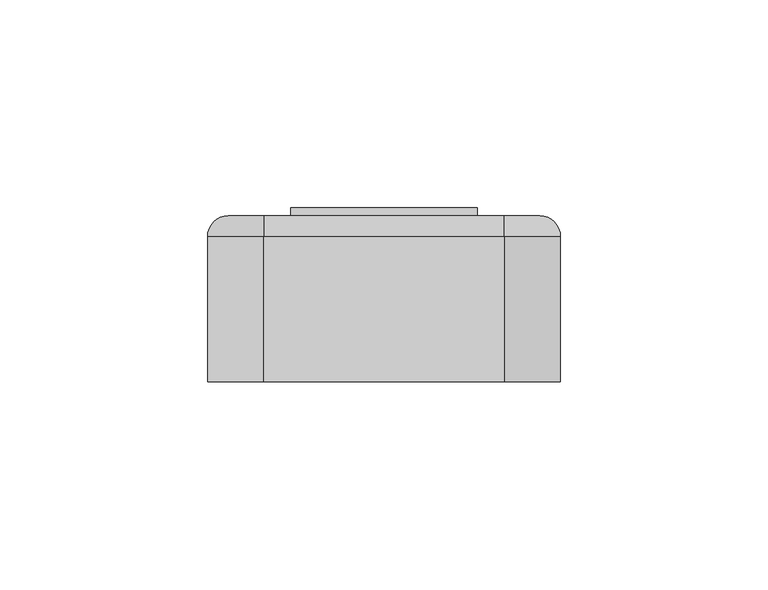
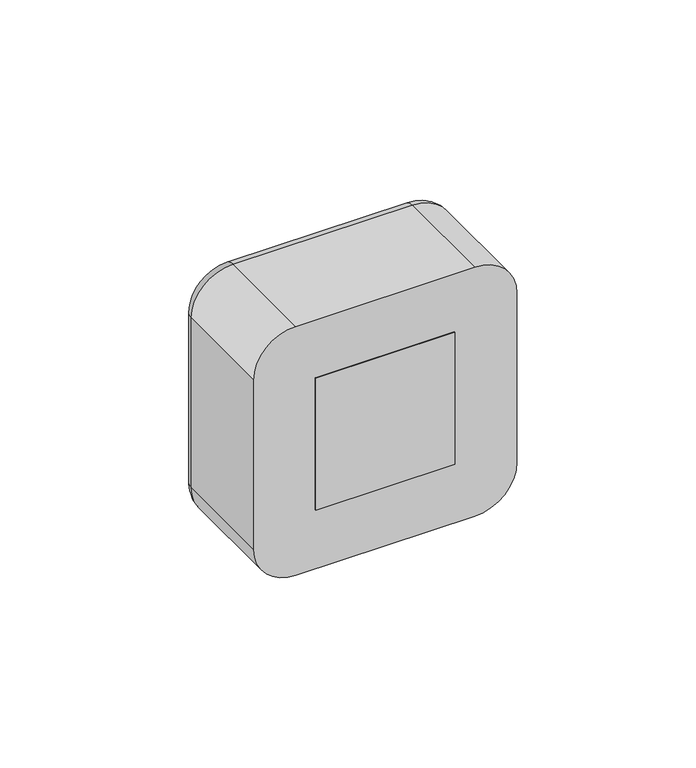
"""IFC4 building model written with IfcOpenShell, lengths in millimetres: proxy geometry."""

from ifc_helpers import new_model, si_unit, point, frame, origin, origin_2d, place, context, project, spatial, polyline, circle_curve, ellipse_curve, trimmed, segment, composite_curve, outline, extrude, source, transform, mapped, element, save
from ifc_brep_helpers import plane_surface, cylinder_surface, revolved_surface, advanced_brep


def electrical_fixtures_850713ec(model_context):
    return source(origin(), model_context, "Body", "SolidModel", [
        extrude(outline(polyline([(22.5, 40.0), (-22.5, 40.0), (-22.5, 42.0), (22.5, 42.0), (22.5, 40.0)])), frame((0.0, 0.0, -22.5), z_axis=(0.0, 0.0, 1.0), x_axis=(1.0, 0.0, 0.0)), (0.0, 0.0, 1.0), 45.0),
        advanced_brep(
        [(22.5, 40.0, 22.5), (22.5, 40.0, -22.5), (-22.5, 40.0, -22.5), (-22.5, 40.0, 22.5), (-18.0, 40.0, 0.0), (18.0, 40.0, 0.0), (22.5, 32.0, 22.5), (-22.5, 32.0, 22.5), (-22.5, 32.0, -22.5), (22.5, 32.0, -22.5), (-7.0, 32.0, 0.0), (-12.0, 32.0, 0.0), (12.0, 32.0, 0.0), (7.0, 32.0, 0.0), (8.9731851, 32.0, 17.8120198), (12.5935718, 32.0, 21.4324065), (21.4324065, 32.0, 12.5935718), (17.8120198, 32.0, 8.9731851), (-17.8120198, 32.0, 8.9731851), (-21.4324065, 32.0, 12.5935718), (-12.5935718, 32.0, 21.4324065), (-8.9731851, 32.0, 17.8120198), (11.5329116, 32.0, 18.9575328), (18.9575328, 32.0, 11.5329116), (20.018193, 32.0, 12.5935718), (12.5935718, 32.0, 20.018193), (-18.9575328, 32.0, 11.5329116), (-11.5329116, 32.0, 18.9575328), (-12.5935718, 32.0, 20.018193), (-20.018193, 32.0, 12.5935718), (-18.0, 33.0, 0.0), (18.0, 33.0, 0.0), (-12.0, 33.0, 0.0), (-7.0, 33.0, 0.0), (7.0, 33.0, 0.0), (12.0, 33.0, 0.0), (12.5935718, 33.0, 21.4324065), (8.9731851, 33.0, 17.8120198), (17.8120198, 33.0, 8.9731851), (21.4324065, 33.0, 12.5935718), (18.9575328, 33.0, 11.5329116), (11.5329116, 33.0, 18.9575328), (12.5935718, 33.0, 20.018193), (20.018193, 33.0, 12.5935718), (-21.4324065, 33.0, 12.5935718), (-17.8120198, 33.0, 8.9731851), (-8.9731851, 33.0, 17.8120198), (-12.5935718, 33.0, 21.4324065), (-11.5329116, 33.0, 18.9575328), (-18.9575328, 33.0, 11.5329116), (-20.018193, 33.0, 12.5935718), (-12.5935718, 33.0, 20.018193)],
        [
            (0, 1),
            (1, 2),
            (2, 3),
            (3, 0),
            (4, 5, circle_curve(frame((0.0, 40.0, 0.0), z_axis=(0.0, -1.0, 0.0), x_axis=(1.0, 0.0, 0.0)), 18.0)),
            (5, 4, circle_curve(frame((0.0, 40.0, 0.0), z_axis=(0.0, -1.0, 0.0), x_axis=(1.0, 0.0, 0.0)), 18.0)),
            (6, 7),
            (7, 8),
            (8, 9),
            (9, 6),
            (10, 11, circle_curve(frame((-9.5, 32.0, 0.0), z_axis=(0.0, 1.0, 0.0), x_axis=(1.0, 0.0, 0.0)), 2.5)),
            (11, 10, circle_curve(frame((-9.5, 32.0, 0.0), z_axis=(0.0, 1.0, 0.0), x_axis=(1.0, 0.0, 0.0)), 2.5)),
            (12, 13, circle_curve(frame((9.5, 32.0, 0.0), z_axis=(0.0, 1.0, 0.0), x_axis=(1.0, 0.0, 0.0)), 2.5)),
            (13, 12, circle_curve(frame((9.5, 32.0, 0.0), z_axis=(0.0, 1.0, 0.0), x_axis=(1.0, 0.0, 0.0)), 2.5)),
            (14, 15),
            (15, 16),
            (16, 17),
            (17, 14),
            (18, 19),
            (19, 20),
            (20, 21),
            (21, 18),
            (22, 23),
            (23, 24),
            (24, 25),
            (25, 22),
            (26, 27),
            (27, 28),
            (28, 29),
            (29, 26),
            (3, 7),
            (6, 0),
            (2, 8),
            (1, 9),
            (30, 31, circle_curve(frame((0.0, 33.0, 0.0), z_axis=(0.0, 1.0, 0.0), x_axis=(1.0, 0.0, 0.0)), 18.0)),
            (31, 30, circle_curve(frame((0.0, 33.0, 0.0), z_axis=(0.0, 1.0, 0.0), x_axis=(1.0, 0.0, 0.0)), 18.0)),
            (32, 33, circle_curve(frame((-9.5, 33.0, 0.0), z_axis=(0.0, -1.0, 0.0), x_axis=(1.0, 0.0, 0.0)), 2.5)),
            (33, 32, circle_curve(frame((-9.5, 33.0, 0.0), z_axis=(0.0, -1.0, 0.0), x_axis=(1.0, 0.0, 0.0)), 2.5)),
            (34, 35, circle_curve(frame((9.5, 33.0, 0.0), z_axis=(0.0, -1.0, 0.0), x_axis=(1.0, 0.0, 0.0)), 2.5)),
            (35, 34, circle_curve(frame((9.5, 33.0, 0.0), z_axis=(0.0, -1.0, 0.0), x_axis=(1.0, 0.0, 0.0)), 2.5)),
            (31, 5),
            (4, 30),
            (10, 33),
            (32, 11),
            (12, 35),
            (34, 13),
            (36, 37),
            (37, 38),
            (38, 39),
            (39, 36),
            (40, 41),
            (41, 42),
            (42, 43),
            (43, 40),
            (36, 15),
            (14, 37),
            (17, 38),
            (16, 39),
            (40, 23),
            (22, 41),
            (25, 42),
            (24, 43),
            (44, 45),
            (45, 46),
            (46, 47),
            (47, 44),
            (48, 49),
            (49, 50),
            (50, 51),
            (51, 48),
            (44, 19),
            (18, 45),
            (21, 46),
            (20, 47),
            (48, 27),
            (26, 49),
            (29, 50),
            (28, 51),
        ],
        [
            plane_surface(frame((-39.0, 40.0, 22.5), z_axis=(0.0, 1.0, 0.0), x_axis=(1.0, 0.0, 0.0))),
            plane_surface(frame((-39.0, 32.0, 22.5), z_axis=(0.0, -1.0, 0.0), x_axis=(-1.0, 0.0, 0.0))),
            plane_surface(frame((22.5, 32.0, 22.5), z_axis=(0.0, 0.0, 1.0), x_axis=(0.0, 1.0, 0.0))),
            plane_surface(frame((-22.5, 32.0, 22.5), z_axis=(-1.0, 0.0, 0.0), x_axis=(0.0, 1.0, 0.0))),
            plane_surface(frame((-22.5, 32.0, -22.5), z_axis=(0.0, 0.0, -1.0), x_axis=(0.0, 1.0, 0.0))),
            plane_surface(frame((22.5, 32.0, -22.5), z_axis=(1.0, 0.0, 0.0), x_axis=(0.0, 1.0, 0.0))),
            plane_surface(frame((18.0, 33.0, 0.0), z_axis=(0.0, 1.0, 0.0), x_axis=(0.0, 0.0, 1.0))),
            revolved_surface(polyline([(18.0, 33.0, 0.0), (18.0, 40.0, 0.0)]), (0.0, 40.0, 0.0), (0.0, -1.0, 0.0)),
            revolved_surface(polyline([(-7.0, 32.0, 0.0), (-7.0, 33.0, 0.0)]), (-9.5, 33.0, 0.0), (0.0, -1.0, 0.0)),
            revolved_surface(polyline([(12.0, 32.0, 0.0), (12.0, 33.0, 0.0)]), (9.5, 32.0, 0.0), (0.0, -1.0, 0.0)),
            plane_surface(frame((12.5935718, 33.0, 21.4324065), z_axis=(0.0, -1.0, 0.0), x_axis=(0.7071067811865469, 0.0, 0.7071067811865481))),
            plane_surface(frame((12.5935718, 32.0, 21.4324065), z_axis=(0.7071067811865481, 0.0, -0.7071067811865469), x_axis=(0.0, 1.0, 0.0))),
            plane_surface(frame((8.9731851, 32.0, 17.8120198), z_axis=(0.707106781186547, 0.0, 0.7071067811865481), x_axis=(0.0, 1.0, 0.0))),
            plane_surface(frame((17.8120198, 32.0, 8.9731851), z_axis=(-0.707106781186549, 0.0, 0.7071067811865461), x_axis=(0.0, 1.0, 0.0))),
            plane_surface(frame((21.4324065, 32.0, 12.5935718), z_axis=(-0.7071067811865469, 0.0, -0.7071067811865482), x_axis=(0.0, 1.0, 0.0))),
            plane_surface(frame((18.9575328, 32.0, 11.5329116), z_axis=(-0.7071067811865468, 0.0, -0.7071067811865482), x_axis=(0.0, 1.0, 0.0))),
            plane_surface(frame((11.5329116, 32.0, 18.9575328), z_axis=(-0.7071067811865503, 0.0, 0.7071067811865447), x_axis=(0.0, 1.0, 0.0))),
            plane_surface(frame((12.5935718, 32.0, 20.018193), z_axis=(0.7071067811865468, 0.0, 0.7071067811865482), x_axis=(0.0, 1.0, 0.0))),
            plane_surface(frame((20.018193, 32.0, 12.5935718), z_axis=(0.7071067811865489, 0.0, -0.7071067811865461), x_axis=(0.0, 1.0, 0.0))),
            plane_surface(frame((-21.4324065, 33.0, 12.5935718), z_axis=(0.0, -1.0, 0.0), x_axis=(-0.7071067811865486, 0.0, 0.7071067811865465))),
            plane_surface(frame((-21.4324065, 32.0, 12.5935718), z_axis=(0.7071067811865465, 0.0, 0.7071067811865486), x_axis=(0.0, 1.0, 0.0))),
            plane_surface(frame((-17.8120198, 32.0, 8.9731851), z_axis=(-0.7071067811865488, 0.0, 0.7071067811865462), x_axis=(0.0, 1.0, 0.0))),
            plane_surface(frame((-8.9731851, 32.0, 17.8120198), z_axis=(-0.7071067811865466, 0.0, -0.7071067811865486), x_axis=(0.0, 1.0, 0.0))),
            plane_surface(frame((-12.5935718, 32.0, 21.4324065), z_axis=(0.707106781186549, 0.0, -0.7071067811865461), x_axis=(0.0, 1.0, 0.0))),
            plane_surface(frame((-11.5329116, 32.0, 18.9575328), z_axis=(0.7071067811865488, 0.0, -0.7071067811865462), x_axis=(0.0, 1.0, 0.0))),
            plane_surface(frame((-18.9575328, 32.0, 11.5329116), z_axis=(-0.7071067811865455, 0.0, -0.7071067811865497), x_axis=(0.0, 1.0, 0.0))),
            plane_surface(frame((-20.018193, 32.0, 12.5935718), z_axis=(-0.7071067811865489, 0.0, 0.7071067811865462), x_axis=(0.0, 1.0, 0.0))),
            plane_surface(frame((-12.5935718, 32.0, 20.018193), z_axis=(0.7071067811865469, 0.0, 0.7071067811865482), x_axis=(0.0, 1.0, 0.0))),
        ],
        [
            (0, [[1, 2, 3, 4], [5, 6]]),
            (1, [[7, 8, 9, 10], [11, 12], [13, 14], [15, 16, 17, 18], [19, 20, 21, 22]]),
            (1, [[23, 24, 25, 26]]),
            (1, [[27, 28, 29, 30]]),
            (2, [[-4, 31, -7, 32]]),
            (3, [[-3, 33, -8, -31]]),
            (4, [[-2, 34, -9, -33]]),
            (5, [[-1, -32, -10, -34]]),
            (6, [[35, 36], [37, 38], [39, 40]]),
            (7, [[-36, 41, -5, 42]]),
            (7, [[-35, -42, -6, -41]]),
            (8, [[43, -37, 44, -11]]),
            (8, [[-43, -12, -44, -38]]),
            (9, [[45, -39, 46, -13]]),
            (9, [[-45, -14, -46, -40]]),
            (10, [[47, 48, 49, 50], [51, 52, 53, 54]]),
            (11, [[-47, 55, -15, 56]]),
            (12, [[-48, -56, -18, 57]]),
            (13, [[-49, -57, -17, 58]]),
            (14, [[-50, -58, -16, -55]]),
            (15, [[-51, 59, -23, 60]]),
            (16, [[-52, -60, -26, 61]]),
            (17, [[-53, -61, -25, 62]]),
            (18, [[-54, -62, -24, -59]]),
            (19, [[63, 64, 65, 66], [67, 68, 69, 70]]),
            (20, [[-63, 71, -19, 72]]),
            (21, [[-64, -72, -22, 73]]),
            (22, [[-65, -73, -21, 74]]),
            (23, [[-66, -74, -20, -71]]),
            (24, [[-67, 75, -27, 76]]),
            (25, [[-68, -76, -30, 77]]),
            (26, [[-69, -77, -29, 78]]),
            (27, [[-70, -78, -28, -75]]),
        ],
    ),
        extrude(outline(polyline([(22.5, 0.0), (-22.5, 0.0), (-22.5, 32.0), (22.5, 32.0), (22.5, 0.0)])), frame((0.0, 0.0, -22.5), z_axis=(0.0, 0.0, 1.0), x_axis=(1.0, 0.0, 0.0)), (0.0, 0.0, 1.0), 45.0),
        extrude(outline(composite_curve([segment(polyline([(-16.0, -1.5), (-17.9373911, -1.5)]), True, "CONTINUOUS"), segment(trimmed(circle_curve(origin_2d(), 18.0), [point((-17.9373911, -1.5))], [point((-17.9373911, 1.5))], False, "CARTESIAN"), True, "CONTINUOUS"), segment(polyline([(-17.9373911, 1.5), (-16.0, 1.5), (-16.0, -1.5)]), True, "CONTINUOUS")], self_intersect=False)), frame((0.0, 33.0, 0.0), z_axis=(0.0, 1.0, 0.0), x_axis=(0.0, 0.0, 1.0)), (0.0, 0.0, 1.0), 6.0),
        extrude(outline(composite_curve([segment(polyline([(16.0, -1.5), (16.0, 1.5), (17.9373911, 1.5)]), True, "CONTINUOUS"), segment(trimmed(circle_curve(origin_2d(), 18.0), [point((17.9373911, 1.5))], [point((17.9373911, -1.5))], False, "CARTESIAN"), True, "CONTINUOUS"), segment(polyline([(17.9373911, -1.5), (16.0, -1.5)]), True, "CONTINUOUS")], self_intersect=False)), frame((0.0, 33.0, 0.0), z_axis=(0.0, 1.0, 0.0), x_axis=(0.0, 0.0, 1.0)), (0.0, 0.0, 1.0), 6.0),
        extrude(outline(composite_curve([segment(polyline([(8.2462113, 16.0), (2.0, 16.0), (2.0, 17.8885438)]), True, "CONTINUOUS"), segment(trimmed(circle_curve(origin_2d(), 18.0), [point((2.0, 17.8885438))], [point((8.2462113, 16.0))], False, "CARTESIAN"), True, "CONTINUOUS")], self_intersect=False)), frame((0.0, 33.0, 0.0), z_axis=(0.0, 1.0, 0.0), x_axis=(0.0, 0.0, 1.0)), (0.0, 0.0, 1.0), 6.0),
        extrude(outline(composite_curve([segment(trimmed(circle_curve(origin_2d(), 18.0), [point((-8.2462113, 16.0))], [point((-2.0, 17.8885438))], False, "CARTESIAN"), True, "CONTINUOUS"), segment(polyline([(-2.0, 17.8885438), (-2.0, 16.0), (-8.2462113, 16.0)]), True, "CONTINUOUS")], self_intersect=False)), frame((0.0, 33.0, 0.0), z_axis=(0.0, 1.0, 0.0), x_axis=(0.0, 0.0, 1.0)), (0.0, 0.0, 1.0), 6.0),
        extrude(outline(composite_curve([segment(polyline([(-8.2462113, -16.0), (-2.0, -16.0), (-2.0, -17.8885438)]), True, "CONTINUOUS"), segment(trimmed(circle_curve(origin_2d(), 18.0), [point((-2.0, -17.8885438))], [point((-8.2462113, -16.0))], False, "CARTESIAN"), True, "CONTINUOUS")], self_intersect=False)), frame((0.0, 33.0, 0.0), z_axis=(0.0, 1.0, 0.0), x_axis=(0.0, 0.0, 1.0)), (0.0, 0.0, 1.0), 6.0),
        extrude(outline(composite_curve([segment(trimmed(circle_curve(origin_2d(), 18.0), [point((8.2462113, -16.0))], [point((2.0, -17.8885438))], False, "CARTESIAN"), True, "CONTINUOUS"), segment(polyline([(2.0, -17.8885438), (2.0, -16.0), (8.2462113, -16.0)]), True, "CONTINUOUS")], self_intersect=False)), frame((0.0, 33.0, 0.0), z_axis=(0.0, 1.0, 0.0), x_axis=(0.0, 0.0, 1.0)), (0.0, 0.0, 1.0), 6.0),
        advanced_brep(
        [(28.9328665, 40.0, 37.5), (37.5, 40.0, 28.9328665), (37.5, 40.0, -28.9328665), (28.9328665, 40.0, -37.5), (-28.9328665, 40.0, -37.5), (-37.5, 40.0, -28.9328665), (-37.5, 40.0, 28.9328665), (-28.9328665, 40.0, 37.5), (22.5, 40.0, 22.5), (-22.5, 40.0, 22.5), (-22.5, 40.0, -22.5), (22.5, 40.0, -22.5), (-28.9328665, 0.0, 42.5), (-42.5, 0.0, 28.9328665), (-42.5, 0.0, -28.9328665), (-28.9328665, 0.0, -42.5), (28.9328665, 0.0, -42.5), (42.5, 0.0, -28.9328665), (42.5, 0.0, 28.9328665), (28.9328665, 0.0, 42.5), (22.5, 2.0, -22.5), (22.5, 2.0, 22.5), (-22.5, 2.0, -22.5), (-22.5, 2.0, 22.5), (-42.5, 35.0, 28.9328665), (-42.5, 35.0, -28.9328665), (-28.9328665, 35.0, -42.5), (28.9328665, 35.0, -42.5), (42.5, 35.0, -28.9328665), (42.5, 35.0, 28.9328665), (28.9328665, 35.0000072, 42.5), (-28.9328665, 35.0, 42.5)],
        [
            (0, 1, circle_curve(frame((28.9328665, 40.0, 28.9328665), z_axis=(0.0, 1.0, 0.0), x_axis=(0.0, 0.0, 1.0)), 8.5671335)),
            (1, 2),
            (2, 3, circle_curve(frame((28.9328665, 40.0, -28.9328665), z_axis=(0.0, 1.0, 0.0), x_axis=(1.0, 0.0, 0.0)), 8.5671335)),
            (3, 4),
            (4, 5, circle_curve(frame((-28.9328665, 40.0, -28.9328665), z_axis=(0.0, 1.0, 0.0), x_axis=(0.0, 0.0, -1.0)), 8.5671335)),
            (5, 6),
            (6, 7, circle_curve(frame((-28.9328665, 40.0, 28.9328665), z_axis=(0.0, 1.0, 0.0), x_axis=(-1.0, 0.0, 0.0)), 8.5671335)),
            (7, 0),
            (8, 9),
            (9, 10),
            (10, 11),
            (11, 8),
            (12, 13, circle_curve(frame((-28.9328665, 0.0, 28.9328665), z_axis=(0.0, -1.0, 0.0), x_axis=(1.0, 0.0, 0.0)), 13.5671335)),
            (13, 14),
            (14, 15, circle_curve(frame((-28.9328665, 0.0, -28.9328665), z_axis=(0.0, -1.0, 0.0), x_axis=(1.0, 0.0, 0.0)), 13.5671335)),
            (15, 16),
            (16, 17, circle_curve(frame((28.9328665, 0.0, -28.9328665), z_axis=(0.0, -1.0, 0.0), x_axis=(1.0, 0.0, 0.0)), 13.5671335)),
            (17, 18),
            (18, 19, circle_curve(frame((28.9328665, 0.0, 28.9328665), z_axis=(0.0, -1.0, 0.0), x_axis=(1.0, 0.0, 0.0)), 13.5671335)),
            (19, 12),
            (11, 20),
            (20, 21),
            (21, 8),
            (10, 22),
            (22, 20),
            (9, 23),
            (23, 22),
            (21, 23),
            (13, 24),
            (24, 25),
            (25, 14),
            (15, 26),
            (26, 27),
            (27, 16),
            (17, 28),
            (28, 29),
            (29, 18),
            (19, 30),
            (30, 31),
            (31, 12),
            (31, 24, circle_curve(frame((-28.9328665, 35.0, 28.9328665), z_axis=(0.0, -1.0, 0.0), x_axis=(1.0, 0.0, 0.0)), 13.5671335)),
            (25, 26, circle_curve(frame((-28.9328665, 35.0, -28.9328665), z_axis=(0.0, -1.0, 0.0), x_axis=(1.0, 0.0, 0.0)), 13.5671335)),
            (27, 28, circle_curve(frame((28.9328665, 35.0, -28.9328665), z_axis=(0.0, -1.0, 0.0), x_axis=(1.0, 0.0, 0.0)), 13.5671335)),
            (29, 30, circle_curve(frame((28.9328665, 35.0, 28.9328665), z_axis=(0.0, -1.0, 0.0), x_axis=(1.0, 0.0, 0.0)), 13.5671335)),
            (29, 1, circle_curve(frame((37.5, 35.0, 28.9328665), z_axis=(0.0, 0.0, 1.0), x_axis=(0.0, 1.0, 0.0)), 5.0)),
            (0, 30, circle_curve(frame((28.9328665, 35.0, 37.5), z_axis=(1.0, 0.0, 0.0), x_axis=(0.0, 1.0, 0.0)), 5.0)),
            (28, 2, circle_curve(frame((37.5, 35.0, -28.9328665), z_axis=(0.0, 0.0, 1.0), x_axis=(0.0, 1.0, 0.0)), 5.0)),
            (27, 3, circle_curve(frame((28.9328665, 35.0, -37.5), z_axis=(1.0, 0.0, 0.0), x_axis=(0.0, 1.0, 0.0)), 5.0)),
            (26, 4, circle_curve(frame((-28.9328665, 35.0, -37.5), z_axis=(1.0, 0.0, 0.0), x_axis=(0.0, 1.0, 0.0)), 5.0)),
            (25, 5, circle_curve(frame((-37.5, 35.0, -28.9328665), z_axis=(0.0, 0.0, -1.0), x_axis=(0.0, 1.0, 0.0)), 5.0)),
            (24, 6, circle_curve(frame((-37.5, 35.0, 28.9328665), z_axis=(0.0, 0.0, -1.0), x_axis=(0.0, 1.0, 0.0)), 5.0)),
            (31, 7, circle_curve(frame((-28.9328665, 35.0, 37.5), z_axis=(-1.0, 0.0, 0.0), x_axis=(0.0, 1.0, 0.0)), 5.0)),
        ],
        [
            plane_surface(frame((22.5, 40.0, 6.9412233), z_axis=(0.0, 1.0, 0.0), x_axis=(0.0, 0.0, 1.0))),
            plane_surface(frame((22.5, 0.0, 6.9412233), z_axis=(0.0, -1.0, 0.0), x_axis=(0.0, 0.0, -1.0))),
            plane_surface(frame((22.5, 0.0, 22.5), z_axis=(-1.0, 0.0, 0.0), x_axis=(0.0, 1.0, 0.0))),
            plane_surface(frame((22.5, 0.0, -22.5), z_axis=(0.0, 0.0, 1.0), x_axis=(0.0, 1.0, 0.0))),
            plane_surface(frame((-22.5, 0.0, -22.5), z_axis=(1.0, 0.0, 0.0), x_axis=(0.0, 1.0, 0.0))),
            plane_surface(frame((-22.5, 0.0, 22.5), z_axis=(0.0, 0.0, -1.0), x_axis=(0.0, 1.0, 0.0))),
            plane_surface(frame((-42.5, 0.0, 28.9328665), z_axis=(-1.0, 0.0, 0.0), x_axis=(0.0, 1.0, 0.0))),
            plane_surface(frame((-28.9328665, 0.0, -42.5), z_axis=(0.0, 0.0, -1.0), x_axis=(0.0, 1.0, 0.0))),
            plane_surface(frame((42.5, 0.0, -28.9328665), z_axis=(1.0, 0.0, 0.0), x_axis=(0.0, 1.0, 0.0))),
            plane_surface(frame((28.9328665, 0.0, 42.5), z_axis=(0.0, 0.0, 1.0), x_axis=(0.0, 1.0, 0.0))),
            cylinder_surface(frame((-28.9328665, 0.0, 28.9328665), z_axis=(0.0, -1.0, 0.0), x_axis=(1.0, 0.0, 0.0)), 13.5671335),
            cylinder_surface(frame((-28.9328665, 0.0, -28.9328665), z_axis=(0.0, -1.0, 0.0), x_axis=(1.0, 0.0, 0.0)), 13.5671335),
            cylinder_surface(frame((28.9328665, 0.0, -28.9328665), z_axis=(0.0, -1.0, 0.0), x_axis=(1.0, 0.0, 0.0)), 13.5671335),
            cylinder_surface(frame((28.9328665, 0.0, 28.9328665), z_axis=(0.0, -1.0, 0.0), x_axis=(1.0, 0.0, 0.0)), 13.5671335),
            plane_surface(frame((-22.5, 2.0, 31.0), z_axis=(0.0, 1.0, 0.0), x_axis=(0.0, 0.0, 1.0))),
            revolved_surface(trimmed(ellipse_curve(frame((28.9328665, 35.0, 37.5), z_axis=(-1.0, 0.0, 0.0), x_axis=(0.0, 1.0, 0.0)), 5.0, 5.0), [point((28.9328665, 35.0, 42.5))], [point((28.9328665, 40.0, 37.5))], True, "CARTESIAN"), (28.9328665, 40.0, 28.9328665), (0.0, 1.0, 0.0)),
            cylinder_surface(frame((37.5, 35.0, 28.9328665), z_axis=(0.0, 0.0, -1.0), x_axis=(0.0, 1.0, 0.0)), 5.0),
            revolved_surface(trimmed(ellipse_curve(frame((37.5, 35.0, -28.9328665), z_axis=(0.0, 0.0, 1.0), x_axis=(0.0, 1.0, 0.0)), 5.0, 5.0), [point((42.5, 35.0, -28.9328665))], [point((37.5, 40.0, -28.9328665))], True, "CARTESIAN"), (28.9328665, 40.0, -28.9328665), (0.0, 1.0, 0.0)),
            cylinder_surface(frame((28.9328665, 35.0, -37.5), z_axis=(-1.0, 0.0, 0.0), x_axis=(0.0, 1.0, 0.0)), 5.0),
            revolved_surface(trimmed(ellipse_curve(frame((-28.9328665, 35.0, -37.5), z_axis=(1.0, 0.0, 0.0), x_axis=(0.0, 1.0, 0.0)), 5.0, 5.0), [point((-28.9328665, 35.0, -42.5))], [point((-28.9328665, 40.0, -37.5))], True, "CARTESIAN"), (-28.9328665, 40.0, -28.9328665), (0.0, 1.0, 0.0)),
            cylinder_surface(frame((-37.5, 35.0, -28.9328665), z_axis=(0.0, 0.0, 1.0), x_axis=(0.0, 1.0, 0.0)), 5.0),
            revolved_surface(trimmed(ellipse_curve(frame((-37.5, 35.0, 28.9328665), z_axis=(0.0, 0.0, -1.0), x_axis=(0.0, 1.0, 0.0)), 5.0, 5.0), [point((-42.5, 35.0, 28.9328665))], [point((-37.5, 40.0, 28.9328665))], True, "CARTESIAN"), (-28.9328665, 40.0, 28.9328665), (0.0, 1.0, 0.0)),
            cylinder_surface(frame((-28.9328665, 35.0, 37.5), z_axis=(1.0, 0.0, 0.0), x_axis=(0.0, 1.0, 0.0)), 5.0),
        ],
        [
            (0, [[1, 2, 3, 4, 5, 6, 7, 8], [9, 10, 11, 12]]),
            (1, [[13, 14, 15, 16, 17, 18, 19, 20]]),
            (2, [[-12, 21, 22, 23]]),
            (3, [[-11, 24, 25, -21]]),
            (4, [[-10, 26, 27, -24]]),
            (5, [[-9, -23, 28, -26]]),
            (6, [[-14, 29, 30, 31]]),
            (7, [[-16, 32, 33, 34]]),
            (8, [[-18, 35, 36, 37]]),
            (9, [[-20, 38, 39, 40]]),
            (10, [[-13, -40, 41, -29]]),
            (11, [[-15, -31, 42, -32]]),
            (12, [[-17, -34, 43, -35]]),
            (13, [[-19, -37, 44, -38]]),
            (14, [[-22, -25, -27, -28]]),
            (15, [[45, -1, 46, -44]]),
            (16, [[-45, -36, 47, -2]]),
            (17, [[-47, -43, 48, -3]]),
            (18, [[-48, -33, 49, -4]]),
            (19, [[-49, -42, 50, -5]]),
            (20, [[-50, -30, 51, -6]]),
            (21, [[-51, -41, 52, -7]]),
            (22, [[-46, -8, -52, -39]]),
        ],
    ),
    ])


if __name__ == "__main__":
    model = new_model("IFC4")
    model_context = context("Model", 3, world=origin())
    ifc_project = project(units=[si_unit("LENGTHUNIT", "METRE", prefix="MILLI")], contexts=[model_context])
    site = spatial("IfcSite", under=ifc_project)
    building = spatial("IfcBuilding", under=site)
    placement = place(None, origin())
    electrical_fixtures_shape = electrical_fixtures_850713ec(model_context)
    element("IfcBuildingElementProxy", 1, Name="Electrical Fixtures", at=placement, inside=building, context=model_context, shape_type="MappedRepresentation", body=[
        mapped(electrical_fixtures_shape, transform((0.0, 0.0, 0.0), x_axis=(1.0, 0.0, 0.0), y_axis=(0.0, 1.0, 0.0), z_axis=(0.0, 0.0, 1.0))),
    ])
    save(model, "model.ifc")
